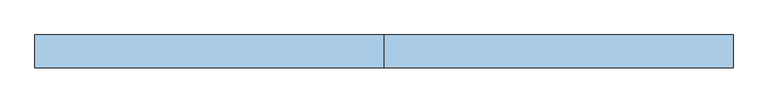
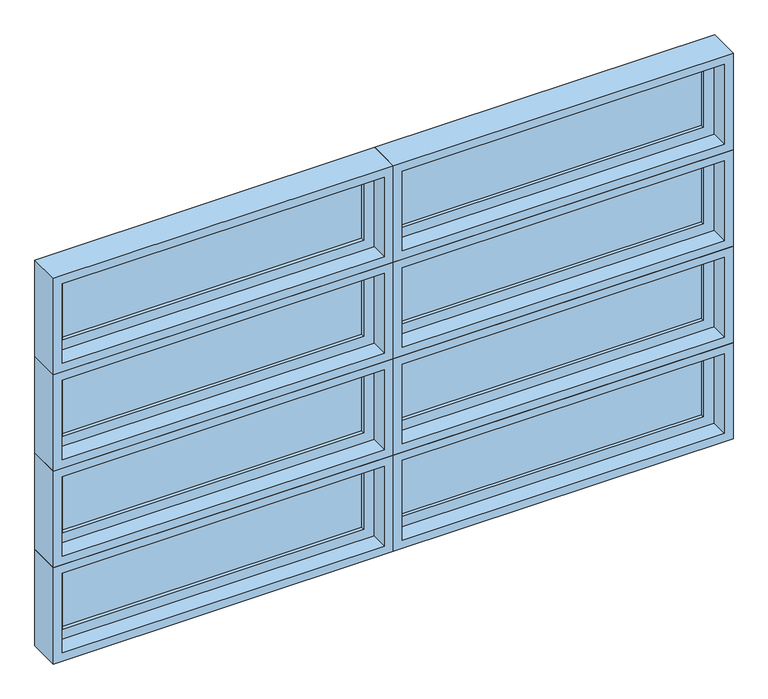
"""IFC4 building model written with IfcOpenShell, lengths in millimetres: window geometry."""

from ifc_helpers import new_model, si_unit, frame, origin, place, context, project, spatial, polyline, outline, extrude, faceted_brep, source, transform, mapped, element, save


def window_c843e4c9(model_context):
    return source(origin(), model_context, "Body", "SolidModel", [
        faceted_brep([(-571.0781766, 42.8625, 2024.2609375), (622.7218234, 42.8625, 2024.2609375), (622.7218234, 93.6625, 2024.2609375), (-571.0781766, 93.6625, 2024.2609375), (-552.0281766, -20.6375, 2043.3109375), (603.6718234, -20.6375, 2043.3109375), (603.6718234, 42.8625, 2043.3109375), (-552.0281766, 42.8625, 2043.3109375), (-583.7781766, 93.6625, 2011.5609375), (635.4218234, 93.6625, 2011.5609375), (635.4218234, -20.6375, 2011.5609375), (-583.7781766, -20.6375, 2011.5609375), (622.7218234, 42.8625, 2364.58125), (622.7218234, 93.6625, 2364.58125), (603.6718234, -20.6375, 2345.53125), (603.6718234, 42.8625, 2345.53125), (635.4218234, 93.6625, 2377.28125), (635.4218234, -20.6375, 2377.28125), (-571.0781766, 42.8625, 2364.58125), (-571.0781766, 93.6625, 2364.58125), (-552.0281766, -20.6375, 2345.53125), (-552.0281766, 42.8625, 2345.53125), (-583.7781766, 93.6625, 2377.28125), (-583.7781766, -20.6375, 2377.28125)], [[[0, 1, 2, 3]], [[4, 5, 6, 7]], [[8, 9, 10, 11]], [[1, 12, 13, 2]], [[5, 14, 15, 6]], [[9, 16, 17, 10]], [[12, 18, 19, 13]], [[14, 20, 21, 15]], [[16, 22, 23, 17]], [[9, 8, 22, 16], [3, 2, 13, 19]], [[18, 0, 3, 19]], [[1, 0, 18, 12], [7, 6, 15, 21]], [[20, 4, 7, 21]], [[11, 10, 17, 23], [5, 4, 20, 14]], [[22, 8, 11, 23]]]),
        extrude(outline(polyline([(-513.9281766, 74.6125), (565.5718234, 74.6125), (565.5718234, 68.2625), (-513.9281766, 68.2625), (-513.9281766, 74.6125)])), frame((0.0, 0.0, 2081.4109375), z_axis=(0.0, 0.0, 1.0), x_axis=(1.0, 0.0, 0.0)), (0.0, 0.0, 1.0), 226.0203125),
        extrude(outline(polyline([(-513.9281766, 61.9125), (565.5718234, 61.9125), (565.5718234, 55.5625), (-513.9281766, 55.5625), (-513.9281766, 61.9125)])), frame((0.0, 0.0, 2081.4109375), z_axis=(0.0, 0.0, 1.0), x_axis=(1.0, 0.0, 0.0)), (0.0, 0.0, 1.0), 226.0203125),
        extrude(outline(polyline([(2024.2609375, 622.7218234), (2364.58125, 622.7218234), (2364.58125, -571.0781766), (2024.2609375, -571.0781766), (2024.2609375, 622.7218234)]), holes=[polyline([(2307.43125, 565.5718234), (2081.4109375, 565.5718234), (2081.4109375, -513.9281766), (2307.43125, -513.9281766), (2307.43125, 565.5718234)])]), frame((0.0, 42.8625, 0.0), z_axis=(0.0, 1.0, 0.0), x_axis=(0.0, 0.0, 1.0)), (0.0, 0.0, 1.0), 44.45),
        faceted_brep([(-1790.2781766, 42.8625, 2024.2609375), (-596.4781766, 42.8625, 2024.2609375), (-596.4781766, 93.6625, 2024.2609375), (-1790.2781766, 93.6625, 2024.2609375), (-1771.2281766, -20.6375, 2043.3109375), (-615.5281766, -20.6375, 2043.3109375), (-615.5281766, 42.8625, 2043.3109375), (-1771.2281766, 42.8625, 2043.3109375), (-1802.9781766, 93.6625, 2011.5609375), (-583.7781766, 93.6625, 2011.5609375), (-583.7781766, -20.6375, 2011.5609375), (-1802.9781766, -20.6375, 2011.5609375), (-596.4781766, 42.8625, 2364.58125), (-596.4781766, 93.6625, 2364.58125), (-615.5281766, -20.6375, 2345.53125), (-615.5281766, 42.8625, 2345.53125), (-583.7781766, 93.6625, 2377.28125), (-583.7781766, -20.6375, 2377.28125), (-1790.2781766, 42.8625, 2364.58125), (-1790.2781766, 93.6625, 2364.58125), (-1771.2281766, -20.6375, 2345.53125), (-1771.2281766, 42.8625, 2345.53125), (-1802.9781766, 93.6625, 2377.28125), (-1802.9781766, -20.6375, 2377.28125)], [[[0, 1, 2, 3]], [[4, 5, 6, 7]], [[8, 9, 10, 11]], [[1, 12, 13, 2]], [[5, 14, 15, 6]], [[9, 16, 17, 10]], [[12, 18, 19, 13]], [[14, 20, 21, 15]], [[16, 22, 23, 17]], [[9, 8, 22, 16], [3, 2, 13, 19]], [[18, 0, 3, 19]], [[1, 0, 18, 12], [7, 6, 15, 21]], [[20, 4, 7, 21]], [[11, 10, 17, 23], [5, 4, 20, 14]], [[22, 8, 11, 23]]]),
        extrude(outline(polyline([(-1733.1281766, 74.6125), (-653.6281766, 74.6125), (-653.6281766, 68.2625), (-1733.1281766, 68.2625), (-1733.1281766, 74.6125)])), frame((0.0, 0.0, 2081.4109375), z_axis=(0.0, 0.0, 1.0), x_axis=(1.0, 0.0, 0.0)), (0.0, 0.0, 1.0), 226.0203125),
        extrude(outline(polyline([(-1733.1281766, 61.9125), (-653.6281766, 61.9125), (-653.6281766, 55.5625), (-1733.1281766, 55.5625), (-1733.1281766, 61.9125)])), frame((0.0, 0.0, 2081.4109375), z_axis=(0.0, 0.0, 1.0), x_axis=(1.0, 0.0, 0.0)), (0.0, 0.0, 1.0), 226.0203125),
        extrude(outline(polyline([(2024.2609375, -596.4781766), (2364.58125, -596.4781766), (2364.58125, -1790.2781766), (2024.2609375, -1790.2781766), (2024.2609375, -596.4781766)]), holes=[polyline([(2307.43125, -653.6281766), (2081.4109375, -653.6281766), (2081.4109375, -1733.1281766), (2307.43125, -1733.1281766), (2307.43125, -653.6281766)])]), frame((0.0, 42.8625, 0.0), z_axis=(0.0, 1.0, 0.0), x_axis=(0.0, 0.0, 1.0)), (0.0, 0.0, 1.0), 44.45),
        faceted_brep([(-571.0781766, 42.8625, 1658.540625), (622.7218234, 42.8625, 1658.540625), (622.7218234, 93.6625, 1658.540625), (-571.0781766, 93.6625, 1658.540625), (-552.0281766, -20.6375, 1677.590625), (603.6718234, -20.6375, 1677.590625), (603.6718234, 42.8625, 1677.590625), (-552.0281766, 42.8625, 1677.590625), (-583.7781766, 93.6625, 1645.840625), (635.4218234, 93.6625, 1645.840625), (635.4218234, -20.6375, 1645.840625), (-583.7781766, -20.6375, 1645.840625), (622.7218234, 42.8625, 1998.8609375), (622.7218234, 93.6625, 1998.8609375), (603.6718234, -20.6375, 1979.8109375), (603.6718234, 42.8625, 1979.8109375), (635.4218234, 93.6625, 2011.5609375), (635.4218234, -20.6375, 2011.5609375), (-571.0781766, 42.8625, 1998.8609375), (-571.0781766, 93.6625, 1998.8609375), (-552.0281766, -20.6375, 1979.8109375), (-552.0281766, 42.8625, 1979.8109375), (-583.7781766, 93.6625, 2011.5609375), (-583.7781766, -20.6375, 2011.5609375)], [[[0, 1, 2, 3]], [[4, 5, 6, 7]], [[8, 9, 10, 11]], [[1, 12, 13, 2]], [[5, 14, 15, 6]], [[9, 16, 17, 10]], [[12, 18, 19, 13]], [[14, 20, 21, 15]], [[16, 22, 23, 17]], [[9, 8, 22, 16], [3, 2, 13, 19]], [[18, 0, 3, 19]], [[1, 0, 18, 12], [7, 6, 15, 21]], [[20, 4, 7, 21]], [[11, 10, 17, 23], [5, 4, 20, 14]], [[22, 8, 11, 23]]]),
        extrude(outline(polyline([(-513.9281766, 74.6125), (565.5718234, 74.6125), (565.5718234, 68.2625), (-513.9281766, 68.2625), (-513.9281766, 74.6125)])), frame((0.0, 0.0, 1715.690625), z_axis=(0.0, 0.0, 1.0), x_axis=(1.0, 0.0, 0.0)), (0.0, 0.0, 1.0), 226.0203125),
        extrude(outline(polyline([(-513.9281766, 61.9125), (565.5718234, 61.9125), (565.5718234, 55.5625), (-513.9281766, 55.5625), (-513.9281766, 61.9125)])), frame((0.0, 0.0, 1715.690625), z_axis=(0.0, 0.0, 1.0), x_axis=(1.0, 0.0, 0.0)), (0.0, 0.0, 1.0), 226.0203125),
        extrude(outline(polyline([(1658.540625, 622.7218234), (1998.8609375, 622.7218234), (1998.8609375, -571.0781766), (1658.540625, -571.0781766), (1658.540625, 622.7218234)]), holes=[polyline([(1941.7109375, 565.5718234), (1715.690625, 565.5718234), (1715.690625, -513.9281766), (1941.7109375, -513.9281766), (1941.7109375, 565.5718234)])]), frame((0.0, 42.8625, 0.0), z_axis=(0.0, 1.0, 0.0), x_axis=(0.0, 0.0, 1.0)), (0.0, 0.0, 1.0), 44.45),
        faceted_brep([(-1790.2781766, 42.8625, 1658.540625), (-596.4781766, 42.8625, 1658.540625), (-596.4781766, 93.6625, 1658.540625), (-1790.2781766, 93.6625, 1658.540625), (-1771.2281766, -20.6375, 1677.590625), (-615.5281766, -20.6375, 1677.590625), (-615.5281766, 42.8625, 1677.590625), (-1771.2281766, 42.8625, 1677.590625), (-1802.9781766, 93.6625, 1645.840625), (-583.7781766, 93.6625, 1645.840625), (-583.7781766, -20.6375, 1645.840625), (-1802.9781766, -20.6375, 1645.840625), (-596.4781766, 42.8625, 1998.8609375), (-596.4781766, 93.6625, 1998.8609375), (-615.5281766, -20.6375, 1979.8109375), (-615.5281766, 42.8625, 1979.8109375), (-583.7781766, 93.6625, 2011.5609375), (-583.7781766, -20.6375, 2011.5609375), (-1790.2781766, 42.8625, 1998.8609375), (-1790.2781766, 93.6625, 1998.8609375), (-1771.2281766, -20.6375, 1979.8109375), (-1771.2281766, 42.8625, 1979.8109375), (-1802.9781766, 93.6625, 2011.5609375), (-1802.9781766, -20.6375, 2011.5609375)], [[[0, 1, 2, 3]], [[4, 5, 6, 7]], [[8, 9, 10, 11]], [[1, 12, 13, 2]], [[5, 14, 15, 6]], [[9, 16, 17, 10]], [[12, 18, 19, 13]], [[14, 20, 21, 15]], [[16, 22, 23, 17]], [[9, 8, 22, 16], [3, 2, 13, 19]], [[18, 0, 3, 19]], [[1, 0, 18, 12], [7, 6, 15, 21]], [[20, 4, 7, 21]], [[11, 10, 17, 23], [5, 4, 20, 14]], [[22, 8, 11, 23]]]),
        extrude(outline(polyline([(-1733.1281766, 74.6125), (-653.6281766, 74.6125), (-653.6281766, 68.2625), (-1733.1281766, 68.2625), (-1733.1281766, 74.6125)])), frame((0.0, 0.0, 1715.690625), z_axis=(0.0, 0.0, 1.0), x_axis=(1.0, 0.0, 0.0)), (0.0, 0.0, 1.0), 226.0203125),
        extrude(outline(polyline([(-1733.1281766, 61.9125), (-653.6281766, 61.9125), (-653.6281766, 55.5625), (-1733.1281766, 55.5625), (-1733.1281766, 61.9125)])), frame((0.0, 0.0, 1715.690625), z_axis=(0.0, 0.0, 1.0), x_axis=(1.0, 0.0, 0.0)), (0.0, 0.0, 1.0), 226.0203125),
        extrude(outline(polyline([(1658.540625, -596.4781766), (1998.8609375, -596.4781766), (1998.8609375, -1790.2781766), (1658.540625, -1790.2781766), (1658.540625, -596.4781766)]), holes=[polyline([(1941.7109375, -653.6281766), (1715.690625, -653.6281766), (1715.690625, -1733.1281766), (1941.7109375, -1733.1281766), (1941.7109375, -653.6281766)])]), frame((0.0, 42.8625, 0.0), z_axis=(0.0, 1.0, 0.0), x_axis=(0.0, 0.0, 1.0)), (0.0, 0.0, 1.0), 44.45),
        faceted_brep([(-571.0781766, 42.8625, 1292.8203125), (622.7218234, 42.8625, 1292.8203125), (622.7218234, 93.6625, 1292.8203125), (-571.0781766, 93.6625, 1292.8203125), (-552.0281766, -20.6375, 1311.8703125), (603.6718234, -20.6375, 1311.8703125), (603.6718234, 42.8625, 1311.8703125), (-552.0281766, 42.8625, 1311.8703125), (-583.7781766, 93.6625, 1280.1203125), (635.4218234, 93.6625, 1280.1203125), (635.4218234, -20.6375, 1280.1203125), (-583.7781766, -20.6375, 1280.1203125), (622.7218234, 42.8625, 1633.140625), (622.7218234, 93.6625, 1633.140625), (603.6718234, -20.6375, 1614.090625), (603.6718234, 42.8625, 1614.090625), (635.4218234, 93.6625, 1645.840625), (635.4218234, -20.6375, 1645.840625), (-571.0781766, 42.8625, 1633.140625), (-571.0781766, 93.6625, 1633.140625), (-552.0281766, -20.6375, 1614.090625), (-552.0281766, 42.8625, 1614.090625), (-583.7781766, 93.6625, 1645.840625), (-583.7781766, -20.6375, 1645.840625)], [[[0, 1, 2, 3]], [[4, 5, 6, 7]], [[8, 9, 10, 11]], [[1, 12, 13, 2]], [[5, 14, 15, 6]], [[9, 16, 17, 10]], [[12, 18, 19, 13]], [[14, 20, 21, 15]], [[16, 22, 23, 17]], [[9, 8, 22, 16], [3, 2, 13, 19]], [[18, 0, 3, 19]], [[1, 0, 18, 12], [7, 6, 15, 21]], [[20, 4, 7, 21]], [[11, 10, 17, 23], [5, 4, 20, 14]], [[22, 8, 11, 23]]]),
        extrude(outline(polyline([(-513.9281766, 74.6125), (565.5718234, 74.6125), (565.5718234, 68.2625), (-513.9281766, 68.2625), (-513.9281766, 74.6125)])), frame((0.0, 0.0, 1349.9703125), z_axis=(0.0, 0.0, 1.0), x_axis=(1.0, 0.0, 0.0)), (0.0, 0.0, 1.0), 226.0203125),
        extrude(outline(polyline([(-513.9281766, 61.9125), (565.5718234, 61.9125), (565.5718234, 55.5625), (-513.9281766, 55.5625), (-513.9281766, 61.9125)])), frame((0.0, 0.0, 1349.9703125), z_axis=(0.0, 0.0, 1.0), x_axis=(1.0, 0.0, 0.0)), (0.0, 0.0, 1.0), 226.0203125),
        extrude(outline(polyline([(1292.8203125, 622.7218234), (1633.140625, 622.7218234), (1633.140625, -571.0781766), (1292.8203125, -571.0781766), (1292.8203125, 622.7218234)]), holes=[polyline([(1575.990625, 565.5718234), (1349.9703125, 565.5718234), (1349.9703125, -513.9281766), (1575.990625, -513.9281766), (1575.990625, 565.5718234)])]), frame((0.0, 42.8625, 0.0), z_axis=(0.0, 1.0, 0.0), x_axis=(0.0, 0.0, 1.0)), (0.0, 0.0, 1.0), 44.45),
        faceted_brep([(-1790.2781766, 42.8625, 1292.8203125), (-596.4781766, 42.8625, 1292.8203125), (-596.4781766, 93.6625, 1292.8203125), (-1790.2781766, 93.6625, 1292.8203125), (-1771.2281766, -20.6375, 1311.8703125), (-615.5281766, -20.6375, 1311.8703125), (-615.5281766, 42.8625, 1311.8703125), (-1771.2281766, 42.8625, 1311.8703125), (-1802.9781766, 93.6625, 1280.1203125), (-583.7781766, 93.6625, 1280.1203125), (-583.7781766, -20.6375, 1280.1203125), (-1802.9781766, -20.6375, 1280.1203125), (-596.4781766, 42.8625, 1633.140625), (-596.4781766, 93.6625, 1633.140625), (-615.5281766, -20.6375, 1614.090625), (-615.5281766, 42.8625, 1614.090625), (-583.7781766, 93.6625, 1645.840625), (-583.7781766, -20.6375, 1645.840625), (-1790.2781766, 42.8625, 1633.140625), (-1790.2781766, 93.6625, 1633.140625), (-1771.2281766, -20.6375, 1614.090625), (-1771.2281766, 42.8625, 1614.090625), (-1802.9781766, 93.6625, 1645.840625), (-1802.9781766, -20.6375, 1645.840625)], [[[0, 1, 2, 3]], [[4, 5, 6, 7]], [[8, 9, 10, 11]], [[1, 12, 13, 2]], [[5, 14, 15, 6]], [[9, 16, 17, 10]], [[12, 18, 19, 13]], [[14, 20, 21, 15]], [[16, 22, 23, 17]], [[9, 8, 22, 16], [3, 2, 13, 19]], [[18, 0, 3, 19]], [[1, 0, 18, 12], [7, 6, 15, 21]], [[20, 4, 7, 21]], [[11, 10, 17, 23], [5, 4, 20, 14]], [[22, 8, 11, 23]]]),
        extrude(outline(polyline([(-1733.1281766, 74.6125), (-653.6281766, 74.6125), (-653.6281766, 68.2625), (-1733.1281766, 68.2625), (-1733.1281766, 74.6125)])), frame((0.0, 0.0, 1349.9703125), z_axis=(0.0, 0.0, 1.0), x_axis=(1.0, 0.0, 0.0)), (0.0, 0.0, 1.0), 226.0203125),
        extrude(outline(polyline([(-1733.1281766, 61.9125), (-653.6281766, 61.9125), (-653.6281766, 55.5625), (-1733.1281766, 55.5625), (-1733.1281766, 61.9125)])), frame((0.0, 0.0, 1349.9703125), z_axis=(0.0, 0.0, 1.0), x_axis=(1.0, 0.0, 0.0)), (0.0, 0.0, 1.0), 226.0203125),
        extrude(outline(polyline([(1292.8203125, -596.4781766), (1633.140625, -596.4781766), (1633.140625, -1790.2781766), (1292.8203125, -1790.2781766), (1292.8203125, -596.4781766)]), holes=[polyline([(1575.990625, -653.6281766), (1349.9703125, -653.6281766), (1349.9703125, -1733.1281766), (1575.990625, -1733.1281766), (1575.990625, -653.6281766)])]), frame((0.0, 42.8625, 0.0), z_axis=(0.0, 1.0, 0.0), x_axis=(0.0, 0.0, 1.0)), (0.0, 0.0, 1.0), 44.45),
        faceted_brep([(-571.0781766, 42.8625, 927.1), (622.7218234, 42.8625, 927.1), (622.7218234, 93.6625, 927.1), (-571.0781766, 93.6625, 927.1), (-552.0281766, -20.6375, 946.15), (603.6718234, -20.6375, 946.15), (603.6718234, 42.8625, 946.15), (-552.0281766, 42.8625, 946.15), (-583.7781766, 93.6625, 914.4), (635.4218234, 93.6625, 914.4), (635.4218234, -20.6375, 914.4), (-583.7781766, -20.6375, 914.4), (622.7218234, 42.8625, 1267.4203125), (622.7218234, 93.6625, 1267.4203125), (603.6718234, -20.6375, 1248.3703125), (603.6718234, 42.8625, 1248.3703125), (635.4218234, 93.6625, 1280.1203125), (635.4218234, -20.6375, 1280.1203125), (-571.0781766, 42.8625, 1267.4203125), (-571.0781766, 93.6625, 1267.4203125), (-552.0281766, -20.6375, 1248.3703125), (-552.0281766, 42.8625, 1248.3703125), (-583.7781766, 93.6625, 1280.1203125), (-583.7781766, -20.6375, 1280.1203125)], [[[0, 1, 2, 3]], [[4, 5, 6, 7]], [[8, 9, 10, 11]], [[1, 12, 13, 2]], [[5, 14, 15, 6]], [[9, 16, 17, 10]], [[12, 18, 19, 13]], [[14, 20, 21, 15]], [[16, 22, 23, 17]], [[9, 8, 22, 16], [3, 2, 13, 19]], [[18, 0, 3, 19]], [[1, 0, 18, 12], [7, 6, 15, 21]], [[20, 4, 7, 21]], [[11, 10, 17, 23], [5, 4, 20, 14]], [[22, 8, 11, 23]]]),
        extrude(outline(polyline([(-513.9281766, 74.6125), (565.5718234, 74.6125), (565.5718234, 68.2625), (-513.9281766, 68.2625), (-513.9281766, 74.6125)])), frame((0.0, 0.0, 984.25), z_axis=(0.0, 0.0, 1.0), x_axis=(1.0, 0.0, 0.0)), (0.0, 0.0, 1.0), 226.0203125),
        extrude(outline(polyline([(-513.9281766, 61.9125), (565.5718234, 61.9125), (565.5718234, 55.5625), (-513.9281766, 55.5625), (-513.9281766, 61.9125)])), frame((0.0, 0.0, 984.25), z_axis=(0.0, 0.0, 1.0), x_axis=(1.0, 0.0, 0.0)), (0.0, 0.0, 1.0), 226.0203125),
        extrude(outline(polyline([(927.1, 622.7218234), (1267.4203125, 622.7218234), (1267.4203125, -571.0781766), (927.1, -571.0781766), (927.1, 622.7218234)]), holes=[polyline([(1210.2703125, 565.5718234), (984.25, 565.5718234), (984.25, -513.9281766), (1210.2703125, -513.9281766), (1210.2703125, 565.5718234)])]), frame((0.0, 42.8625, 0.0), z_axis=(0.0, 1.0, 0.0), x_axis=(0.0, 0.0, 1.0)), (0.0, 0.0, 1.0), 44.45),
        faceted_brep([(-1790.2781766, 42.8625, 927.1), (-596.4781766, 42.8625, 927.1), (-596.4781766, 93.6625, 927.1), (-1790.2781766, 93.6625, 927.1), (-1771.2281766, -20.6375, 946.15), (-615.5281766, -20.6375, 946.15), (-615.5281766, 42.8625, 946.15), (-1771.2281766, 42.8625, 946.15), (-1802.9781766, 93.6625, 914.4), (-583.7781766, 93.6625, 914.4), (-583.7781766, -20.6375, 914.4), (-1802.9781766, -20.6375, 914.4), (-596.4781766, 42.8625, 1267.4203125), (-596.4781766, 93.6625, 1267.4203125), (-615.5281766, -20.6375, 1248.3703125), (-615.5281766, 42.8625, 1248.3703125), (-583.7781766, 93.6625, 1280.1203125), (-583.7781766, -20.6375, 1280.1203125), (-1790.2781766, 42.8625, 1267.4203125), (-1790.2781766, 93.6625, 1267.4203125), (-1771.2281766, -20.6375, 1248.3703125), (-1771.2281766, 42.8625, 1248.3703125), (-1802.9781766, 93.6625, 1280.1203125), (-1802.9781766, -20.6375, 1280.1203125)], [[[0, 1, 2, 3]], [[4, 5, 6, 7]], [[8, 9, 10, 11]], [[1, 12, 13, 2]], [[5, 14, 15, 6]], [[9, 16, 17, 10]], [[12, 18, 19, 13]], [[14, 20, 21, 15]], [[16, 22, 23, 17]], [[9, 8, 22, 16], [3, 2, 13, 19]], [[18, 0, 3, 19]], [[1, 0, 18, 12], [7, 6, 15, 21]], [[20, 4, 7, 21]], [[11, 10, 17, 23], [5, 4, 20, 14]], [[22, 8, 11, 23]]]),
        extrude(outline(polyline([(-1733.1281766, 74.6125), (-653.6281766, 74.6125), (-653.6281766, 68.2625), (-1733.1281766, 68.2625), (-1733.1281766, 74.6125)])), frame((0.0, 0.0, 984.25), z_axis=(0.0, 0.0, 1.0), x_axis=(1.0, 0.0, 0.0)), (0.0, 0.0, 1.0), 226.0203125),
        extrude(outline(polyline([(-1733.1281766, 61.9125), (-653.6281766, 61.9125), (-653.6281766, 55.5625), (-1733.1281766, 55.5625), (-1733.1281766, 61.9125)])), frame((0.0, 0.0, 984.25), z_axis=(0.0, 0.0, 1.0), x_axis=(1.0, 0.0, 0.0)), (0.0, 0.0, 1.0), 226.0203125),
        extrude(outline(polyline([(927.1, -596.4781766), (1267.4203125, -596.4781766), (1267.4203125, -1790.2781766), (927.1, -1790.2781766), (927.1, -596.4781766)]), holes=[polyline([(1210.2703125, -653.6281766), (984.25, -653.6281766), (984.25, -1733.1281766), (1210.2703125, -1733.1281766), (1210.2703125, -653.6281766)])]), frame((0.0, 42.8625, 0.0), z_axis=(0.0, 1.0, 0.0), x_axis=(0.0, 0.0, 1.0)), (0.0, 0.0, 1.0), 44.45),
    ])


if __name__ == "__main__":
    model = new_model("IFC4")
    model_context = context("Model", 3, world=origin())
    ifc_project = project(units=[si_unit("LENGTHUNIT", "METRE", prefix="MILLI")], contexts=[model_context])
    site = spatial("IfcSite", under=ifc_project)
    building = spatial("IfcBuilding", under=site)
    placement = place(None, origin())
    window_shape = window_c843e4c9(model_context)
    element("IfcWindow", 1, at=placement, inside=building, context=model_context, shape_type="MappedRepresentation", body=[
        mapped(window_shape, transform((0.0, 0.0, 0.0), x_axis=(1.0, 0.0, 0.0), y_axis=(0.0, 1.0, 0.0), z_axis=(0.0, 0.0, 1.0))),
    ])
    save(model, "model.ifc")
